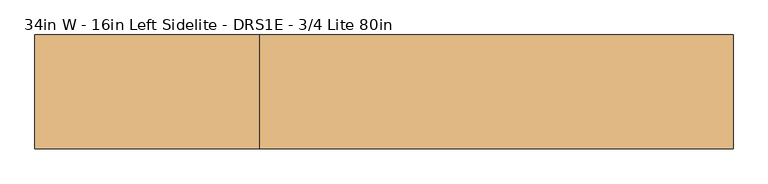
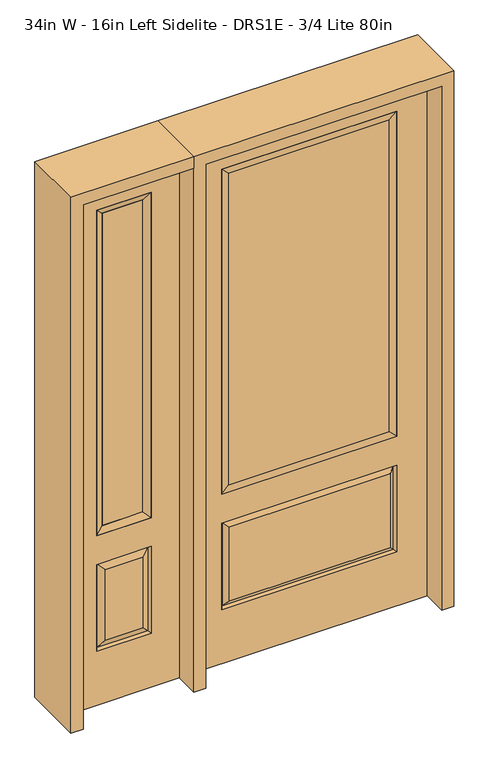
"""IFC4 building model written with IfcOpenShell, lengths in millimetres: door geometry, 34in W - 16in Left Sidelite - DRS1E - 3/4 Lite 80in."""

from ifc_helpers import new_model, si_unit, frame, origin, place, context, project, spatial, polyline, outline, extrude, faceted_brep, source, transform, mapped, element, save


def door_34in_w_16in_left_sidelite_drs1e_3_4_lite_80in_cb9676ec(model_context):
    return source(origin(), model_context, "Body", "SolidModel", [
        faceted_brep([(-882.65, -22.225, 0.0), (-476.25, -22.225, 0.0), (-476.25, -22.225, 2032.0), (-882.65, -22.225, 2032.0), (-579.12, -22.225, 1919.224), (-579.12, -22.225, 657.098), (-779.78, -22.225, 657.098), (-779.78, -22.225, 1919.224), (-579.12, -22.225, 209.55), (-779.78, -22.225, 209.55), (-779.78, -22.225, 546.1), (-579.12, -22.225, 546.1), (-748.0648999, -22.225, 241.2651001), (-610.8351001, -22.225, 241.2651001), (-610.8351001, -22.225, 514.3848999), (-748.0648999, -22.225, 514.3848999), (-882.65, 22.225, 0.0), (-882.65, 22.225, 2032.0), (-476.25, 22.225, 2032.0), (-476.25, 22.225, 0.0), (-579.12, 22.225, 1919.224), (-779.78, 22.225, 1919.224), (-779.78, 22.225, 657.098), (-579.12, 22.225, 657.098), (-779.78, 22.225, 209.55), (-579.12, 22.225, 209.55), (-579.12, 22.225, 546.1), (-779.78, 22.225, 546.1), (-610.8351001, 22.225, 241.2651001), (-748.0648999, 22.225, 241.2651001), (-748.0648999, 22.225, 514.3848999), (-610.8351001, 22.225, 514.3848999), (-586.2288501, 12.7912373, 216.6588501), (-772.6711499, 12.7912373, 216.6588501), (-772.6711499, 12.7912373, 538.9911499), (-586.2288501, 12.7912373, 538.9911499), (-772.6711499, -12.7912373, 216.6588501), (-586.2288501, -12.7912373, 216.6588501), (-772.6711499, -12.7912373, 538.9911499), (-586.2288501, -12.7912373, 538.9911499)], [[[0, 1, 2, 3], [4, 5, 6, 7], [8, 9, 10, 11]], [[12, 13, 14, 15]], [[16, 17, 18, 19], [20, 21, 22, 23], [24, 25, 26, 27]], [[28, 29, 30, 31]], [[1, 0, 16, 19]], [[2, 1, 19, 18]], [[3, 2, 18, 17]], [[0, 3, 17, 16]], [[5, 4, 20, 23]], [[6, 5, 23, 22]], [[7, 6, 22, 21]], [[4, 7, 21, 20]], [[32, 33, 29, 28]], [[33, 32, 25, 24]], [[29, 33, 34, 30]], [[33, 24, 27, 34]], [[30, 34, 35, 31]], [[34, 27, 26, 35]], [[32, 28, 31, 35]], [[25, 32, 35, 26]], [[12, 36, 37, 13]], [[37, 36, 9, 8]], [[36, 12, 15, 38]], [[9, 36, 38, 10]], [[38, 15, 14, 39]], [[10, 38, 39, 11]], [[13, 37, 39, 14]], [[37, 8, 11, 39]]]),
        faceted_brep([(-779.78, 22.225, 1919.224), (-779.78, -22.225, 1919.224), (-579.12, -22.225, 1919.224), (-579.12, 22.225, 1919.224), (-754.38, 12.7, 1893.824), (-604.52, 12.7, 1893.824), (-754.38, -12.7, 1893.824), (-604.52, -12.7, 1893.824), (-579.12, -22.225, 657.098), (-579.12, 22.225, 657.098), (-604.52, 12.7, 682.498), (-604.52, -12.7, 682.498), (-779.78, -22.225, 657.098), (-779.78, 22.225, 657.098), (-754.38, 12.7, 682.498), (-754.38, -12.7, 682.498)], [[[0, 1, 2, 3]], [[4, 0, 3, 5]], [[6, 4, 5, 7]], [[1, 6, 7, 2]], [[3, 2, 8, 9]], [[5, 3, 9, 10]], [[7, 5, 10, 11]], [[2, 7, 11, 8]], [[9, 8, 12, 13]], [[10, 9, 13, 14]], [[11, 10, 14, 15]], [[8, 11, 15, 12]], [[13, 12, 1, 0]], [[14, 13, 0, 4]], [[15, 14, 4, 6]], [[12, 15, 6, 1]]]),
        extrude(outline(polyline([(-604.52, -12.7), (-754.38, -12.7), (-754.38, 12.7), (-604.52, 12.7), (-604.52, -12.7)])), frame((0.0, 0.0, 682.498), z_axis=(0.0, 0.0, 1.0), x_axis=(1.0, 0.0, 0.0)), (0.0, 0.0, 1.0), 1211.326),
        faceted_brep([(-313.5661499, -12.7912373, 216.6588501), (313.5661499, -12.7912373, 216.6588501), (296.06875, -22.225, 234.15625), (-296.06875, -22.225, 234.15625), (-320.675, -22.225, 209.55), (320.675, -22.225, 209.55), (-313.5661499, -12.7912373, 538.9911499), (-320.675, -22.225, 546.1), (296.06875, -22.225, 521.49375), (-296.06875, -22.225, 521.49375), (431.8, -22.225, 2032.0), (-431.8, -22.225, 2032.0), (-431.8, -22.225, 0.0), (431.8, -22.225, 0.0), (320.675, -22.225, 546.1), (320.675, -22.225, 1917.7), (320.675, -22.225, 657.098), (-320.675, -22.225, 657.098), (-320.675, -22.225, 1917.7), (313.5661499, -12.7912373, 538.9911499), (-431.8, 22.225, 2032.0), (-431.8, 22.225, 0.0), (431.8, 22.225, 0.0), (431.8, 22.225, 2032.0), (320.675, 22.225, 1917.7), (320.675, 22.225, 657.098), (-320.675, 22.225, 657.098), (-320.675, 22.225, 1917.7), (-320.675, 22.225, 209.55), (320.675, 22.225, 209.55), (320.675, 22.225, 546.1), (-320.675, 22.225, 546.1), (296.06875, 22.225, 234.15625), (-296.06875, 22.225, 234.15625), (-296.06875, 22.225, 521.49375), (296.06875, 22.225, 521.49375), (-313.5661499, 12.7912373, 216.6588501), (313.5661499, 12.7912373, 216.6588501), (313.5661499, 12.7912373, 538.9911499), (-313.5661499, 12.7912373, 538.9911499)], [[[0, 1, 2, 3]], [[1, 0, 4, 5]], [[4, 0, 6, 7]], [[3, 2, 8, 9]], [[10, 11, 12, 13], [5, 4, 7, 14], [15, 16, 17, 18]], [[1, 5, 14, 19]], [[2, 1, 19, 8]], [[0, 3, 9, 6]], [[7, 6, 19, 14]], [[6, 9, 8, 19]], [[12, 11, 20, 21]], [[13, 12, 21, 22]], [[10, 13, 22, 23]], [[16, 15, 24, 25]], [[17, 16, 25, 26]], [[18, 17, 26, 27]], [[23, 22, 21, 20], [28, 29, 30, 31], [24, 27, 26, 25]], [[32, 33, 34, 35]], [[28, 36, 37, 29]], [[29, 37, 38, 30]], [[39, 31, 30, 38]], [[36, 28, 31, 39]], [[37, 36, 33, 32]], [[33, 36, 39, 34]], [[34, 39, 38, 35]], [[37, 32, 35, 38]], [[11, 10, 23, 20]], [[15, 18, 27, 24]]]),
        faceted_brep([(-320.675, -22.225, 1917.7), (-320.675, 22.225, 1917.7), (-320.675, 22.225, 657.098), (-320.675, -22.225, 657.098), (320.675, 22.225, 657.098), (320.675, -22.225, 657.098), (-295.275, 5.08, 682.498), (295.275, 5.08, 682.498), (320.675, 22.225, 1917.7), (320.675, -22.225, 1917.7), (-295.275, -20.32, 682.498), (295.275, -20.32, 682.498), (-295.275, -20.32, 1892.3), (295.275, -20.32, 1892.3), (-295.275, 5.08, 1892.3), (295.275, 5.08, 1892.3)], [[[0, 1, 2, 3]], [[3, 2, 4, 5]], [[2, 6, 7, 4]], [[5, 4, 8, 9]], [[10, 3, 5, 11]], [[12, 0, 3, 10]], [[11, 5, 9, 13]], [[6, 10, 11, 7]], [[14, 12, 10, 6]], [[7, 11, 13, 15]], [[1, 14, 6, 2]], [[4, 7, 15, 8]], [[9, 8, 1, 0]], [[13, 9, 0, 12]], [[15, 13, 12, 14]], [[8, 15, 14, 1]]]),
        extrude(outline(polyline([(295.275, -20.32), (-295.275, -20.32), (-295.275, 5.08), (295.275, 5.08), (295.275, -20.32)])), frame((0.0, 0.0, 682.498), z_axis=(0.0, 0.0, 1.0), x_axis=(1.0, 0.0, 0.0)), (0.0, 0.0, 1.0), 1209.802),
        extrude(outline(polyline([(2032.0, -476.25), (2076.45, -476.25), (2076.45, -927.1), (0.0, -927.1), (0.0, -882.65), (2032.0, -882.65), (2032.0, -476.25)])), frame((0.0, -114.3, 0.0), z_axis=(0.0, 1.0, 0.0), x_axis=(0.0, 0.0, 1.0)), (0.0, 0.0, 1.0), 228.6),
        extrude(outline(polyline([(2076.45, -476.25), (0.0, -476.25), (0.0, -431.8), (2032.0, -431.8), (2032.0, 431.8), (0.0, 431.8), (0.0, 476.25), (2076.45, 476.25), (2076.45, -476.25)])), frame((0.0, -114.3, 0.0), z_axis=(0.0, 1.0, 0.0), x_axis=(0.0, 0.0, 1.0)), (0.0, 0.0, 1.0), 228.6),
    ])


if __name__ == "__main__":
    model = new_model("IFC4")
    model_context = context("Model", 3, world=origin())
    ifc_project = project(units=[si_unit("LENGTHUNIT", "METRE", prefix="MILLI")], contexts=[model_context])
    site = spatial("IfcSite", under=ifc_project)
    building = spatial("IfcBuilding", under=site)
    placement = place(None, origin())
    door_34in_w_16in_left_sidelite_drs1e_3_4_lite_80in_shape = door_34in_w_16in_left_sidelite_drs1e_3_4_lite_80in_cb9676ec(model_context)
    element("IfcDoor", 1, ObjectType="34in W - 16in Left Sidelite - DRS1E - 3/4 Lite 80in", at=placement, inside=building, context=model_context, shape_type="MappedRepresentation", body=[
        mapped(door_34in_w_16in_left_sidelite_drs1e_3_4_lite_80in_shape, transform((0.0, 0.0, 0.0), x_axis=(1.0, 0.0, 0.0), y_axis=(0.0, 1.0, 0.0), z_axis=(0.0, 0.0, 1.0))),
    ])
    save(model, "model.ifc")
